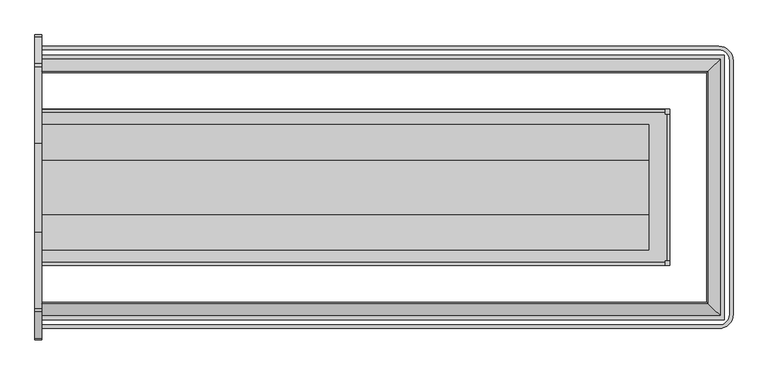
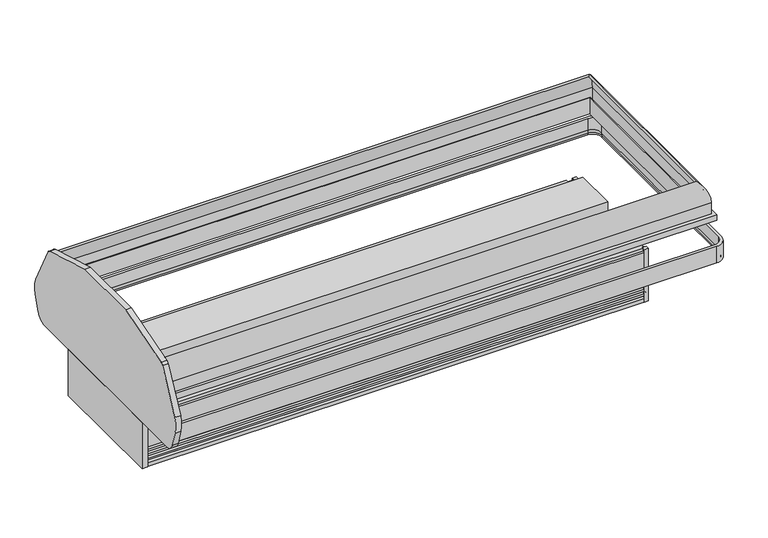
"""IFC4 building model written with IfcOpenShell, lengths in millimetres: proxy geometry."""

from ifc_helpers import new_model, si_unit, point, frame, frame_2d, origin, place, context, project, spatial, polyline, circle_curve, ellipse_curve, trimmed, segment, composite_curve, outline, extrude, faceted_brep, source, transform, mapped, element, save
from ifc_brep_helpers import plane_surface, cylinder_surface, revolved_surface, advanced_brep


def mechanical_equipment_1872149a(model_context):
    return source(origin(), model_context, "Body", "SolidModel", [
        extrude(outline(polyline([(2912.26875, -1328.4946273), (3217.06875, -1328.4946273), (3217.06875, -1430.0946273), (2912.26875, -1430.0946273), (2912.26875, -1328.4946273)])), frame((0.0, 0.0, 189.9442522), z_axis=(0.0, 0.0, 1.0), x_axis=(1.0, 0.0, 0.0)), (0.0, 0.0, 1.0), 53.975),
        extrude(outline(polyline([(0.0, -1877.2754027), (0.0, -1854.8852919), (3656.9518707, -1854.8852919), (3656.9518707, -471.8927566), (0.0, -471.8927566), (0.0, -449.5026457), (3679.3419816, -449.5026457), (3679.3419816, -1877.2754027), (0.0, -1877.2754027)])), frame((0.0, 0.0, 699.9316399), z_axis=(0.0, 0.0, 1.0), x_axis=(1.0, 0.0, 0.0)), (0.0, 0.0, 1.0), 41.2710907),
        advanced_brep(
        [(0.0, -1792.5196013, 958.3889172), (0.0, -1784.0477837, 948.9275057), (0.0, -1842.1852919, 818.8330982), (0.0, -1842.1852919, 702.038591), (0.0, -1854.8852919, 702.038591), (0.0, -1854.8852919, 818.8330982), (3594.5861801, -1792.5196013, 958.3889172), (3586.1143625, -1784.0477837, 948.9275057), (3644.2518707, -1842.1852919, 818.8330982), (3644.2518707, -1842.1852919, 702.038591), (3644.2518707, -484.5927566, 702.038591), (0.0, -484.5927566, 702.038591), (0.0, -471.8927566, 702.038591), (3656.9518707, -471.8927566, 702.038591), (3656.9518707, -1854.8852919, 702.038591), (3656.9518707, -1854.8852919, 818.8330982), (3594.5861801, -534.2584472, 958.3889172), (3586.1143625, -542.7302648, 948.9275057), (3644.2518707, -484.5927566, 818.8330982), (3656.9518707, -471.8927566, 818.8330982), (0.0, -534.2584472, 958.3889172), (0.0, -471.8927566, 818.8330982), (0.0, -484.5927566, 818.8330982), (0.0, -542.7302648, 948.9275057)],
        [
            (0, 1),
            (1, 2, circle_curve(frame((0.0, -1667.5602919, 818.8330982), z_axis=(1.0, 0.0, 0.0), x_axis=(0.0, 1.0, 0.0)), 174.625)),
            (2, 3),
            (3, 4),
            (4, 5),
            (5, 0, circle_curve(frame((0.0, -1667.5602919, 818.8330982), z_axis=(-1.0, 0.0, 0.0), x_axis=(0.0, 1.0, 0.0)), 187.325)),
            (0, 6),
            (6, 7),
            (7, 1),
            (7, 8, ellipse_curve(frame((3469.6268707, -1667.5602919, 818.8330982), z_axis=(0.7071067811865475, 0.7071067811865475, 0.0), x_axis=(0.7071067811865476, -0.7071067811865474, 0.0)), 246.9570433, 174.625)),
            (8, 2),
            (8, 9),
            (9, 3),
            (9, 10),
            (10, 11),
            (11, 12),
            (12, 13),
            (13, 14),
            (14, 4),
            (14, 15),
            (15, 5),
            (15, 6, ellipse_curve(frame((3469.6268707, -1667.5602919, 818.8330982), z_axis=(-0.7071067811865475, -0.7071067811865475, 0.0), x_axis=(-0.7071067811865476, 0.7071067811865474, 0.0)), 264.9175556, 187.325)),
            (6, 16),
            (16, 17),
            (17, 7),
            (17, 18, ellipse_curve(frame((3469.6268707, -659.2177566, 818.8330982), z_axis=(-0.7071067811865475, 0.7071067811865475, 0.0), x_axis=(0.7071067811865474, 0.7071067811865476, 0.0)), 246.9570433, 174.625)),
            (18, 8),
            (18, 10),
            (13, 19),
            (19, 15),
            (19, 16, ellipse_curve(frame((3469.6268707, -659.2177566, 818.8330982), z_axis=(0.7071067811865475, -0.7071067811865475, 0.0), x_axis=(-0.7071067811865474, -0.7071067811865476, 0.0)), 264.9175556, 187.325)),
            (20, 21, circle_curve(frame((0.0, -659.2177566, 818.8330982), z_axis=(-1.0, 0.0, 0.0), x_axis=(0.0, -1.0, 0.0)), 187.325)),
            (21, 12),
            (11, 22),
            (22, 23, circle_curve(frame((0.0, -659.2177566, 818.8330982), z_axis=(1.0, 0.0, 0.0), x_axis=(0.0, -1.0, 0.0)), 174.625)),
            (23, 20),
            (16, 20),
            (23, 17),
            (22, 18),
            (21, 19),
        ],
        [
            plane_surface(frame((0.0, -1977.7709212, 50.2442522), z_axis=(-1.0, 0.0, 0.0), x_axis=(0.0, 0.0, 1.0))),
            plane_surface(frame((0.0, -1792.5196013, 958.3889172), z_axis=(0.0, 0.7449930280994389, 0.6670722510217529), x_axis=(1.0, 0.0, 0.0))),
            revolved_surface(polyline([(3644.2518707, -1492.9352919, 818.8330982), (0.0, -1492.9352919, 818.8330982)]), (0.0, -1667.5602919, 818.8330982), (1.0, 0.0, 0.0)),
            plane_surface(frame((0.0, -1842.1852919, 818.8330982), z_axis=(0.0, 1.0, 0.0), x_axis=(1.0, 0.0, 0.0))),
            plane_surface(frame((0.0, -1842.1852919, 702.038591), z_axis=(0.0, 0.0, -1.0), x_axis=(1.0, 0.0, 0.0))),
            plane_surface(frame((0.0, -1854.8852919, 702.038591), z_axis=(0.0, -1.0, 0.0), x_axis=(1.0, 0.0, 0.0))),
            cylinder_surface(frame((0.0, -1667.5602919, 818.8330982), z_axis=(-1.0, 0.0, 0.0), x_axis=(0.0, 1.0, 0.0)), 187.325),
            plane_surface(frame((3594.5861801, -1792.5196013, 958.3889172), z_axis=(-0.7449930280994389, 0.0, 0.6670722510217529), x_axis=(0.0, 1.0, 0.0))),
            revolved_surface(polyline([(3295.0018707, -484.59275660000003, 818.8330982), (3295.0018707, -1842.1852919, 818.8330982)]), (3469.6268707, -1977.7709212, 818.8330982), (0.0, 1.0, 0.0)),
            plane_surface(frame((3644.2518707, -1842.1852919, 818.8330982), z_axis=(-1.0, 0.0, 0.0), x_axis=(0.0, 1.0, 0.0))),
            plane_surface(frame((3656.9518707, -1854.8852919, 702.038591), z_axis=(1.0, 0.0, 0.0), x_axis=(0.0, 1.0, 0.0))),
            cylinder_surface(frame((3469.6268707, -1977.7709212, 818.8330982), z_axis=(0.0, -1.0, 0.0), x_axis=(-1.0, 0.0, 0.0)), 187.325),
            plane_surface(frame((0.0, -349.0071273, 50.2442522), z_axis=(-1.0, 0.0, 0.0), x_axis=(0.0, 0.0, 1.0))),
            plane_surface(frame((3594.5861801, -534.2584472, 958.3889172), z_axis=(0.0, -0.7449930280994389, 0.6670722510217529), x_axis=(-1.0, 0.0, 0.0))),
            revolved_surface(polyline([(0.0, -833.8427566, 818.8330982), (3644.2518707, -833.8427566, 818.8330982)]), (3779.8375, -659.2177566, 818.8330982), (-1.0, 0.0, 0.0)),
            plane_surface(frame((3644.2518707, -484.5927566, 818.8330982), z_axis=(0.0, -1.0, 0.0), x_axis=(-1.0, 0.0, 0.0))),
            plane_surface(frame((3656.9518707, -471.8927566, 702.038591), z_axis=(0.0, 1.0, 0.0), x_axis=(-1.0, 0.0, 0.0))),
            cylinder_surface(frame((3779.8375, -659.2177566, 818.8330982), z_axis=(1.0, 0.0, 0.0), x_axis=(0.0, -1.0, 0.0)), 187.325),
        ],
        [
            (0, [[1, 2, 3, 4, 5, 6]]),
            (1, [[-1, 7, 8, 9]]),
            (2, [[-2, -9, 10, 11]]),
            (3, [[-3, -11, 12, 13]]),
            (4, [[-4, -13, 14, 15, 16, 17, 18, 19]]),
            (5, [[-5, -19, 20, 21]]),
            (6, [[-6, -21, 22, -7]]),
            (7, [[-8, 23, 24, 25]]),
            (8, [[-10, -25, 26, 27]]),
            (9, [[-12, -27, 28, -14]]),
            (10, [[-20, -18, 29, 30]]),
            (11, [[-22, -30, 31, -23]]),
            (12, [[32, 33, -16, 34, 35, 36]]),
            (13, [[-24, 37, -36, 38]]),
            (14, [[-26, -38, -35, 39]]),
            (15, [[-28, -39, -34, -15]]),
            (16, [[-29, -17, -33, 40]]),
            (17, [[-31, -40, -32, -37]]),
        ],
    ),
        faceted_brep([(0.0, -1809.1342557, 779.826091), (0.0, -1802.7842557, 779.826091), (0.0, -1802.7842557, 665.438693), (0.0, -1809.1342557, 665.438693), (3611.2008346, -1809.1342557, 779.826091), (3611.2008346, -517.6437927, 779.826091), (0.0, -517.6437927, 779.826091), (0.0, -523.9937927, 779.826091), (3604.8508346, -523.9937927, 779.826091), (3604.8508346, -1802.7842557, 779.826091), (3604.8508346, -1802.7842557, 665.438693), (3604.8508346, -523.9937927, 665.438693), (0.0, -523.9937927, 665.438693), (0.0, -517.6437927, 665.438693), (3611.2008346, -517.6437927, 665.438693), (3611.2008346, -1809.1342557, 665.438693)], [[[0, 1, 2, 3]], [[1, 0, 4, 5, 6, 7, 8, 9]], [[2, 1, 9, 10]], [[3, 2, 10, 11, 12, 13, 14, 15]], [[0, 3, 15, 4]], [[10, 9, 8, 11]], [[4, 15, 14, 5]], [[6, 13, 12, 7]], [[11, 8, 7, 12]], [[5, 14, 13, 6]]]),
        extrude(outline(polyline([(3361.0067977, -1585.0986858), (3361.0067977, -1558.951425), (3387.1540585, -1558.951425), (3387.1540585, -1585.0986858), (3361.0067977, -1585.0986858)])), frame((0.0, 0.0, 50.2442522), z_axis=(0.0, 0.0, 1.0), x_axis=(1.0, 0.0, 0.0)), (0.0, 0.0, 1.0), 374.65),
        extrude(outline(polyline([(3361.0067977, -741.6905688), (3387.1540585, -741.6905688), (3387.1540585, -767.8378296), (3361.0067977, -767.8378296), (3361.0067977, -741.6905688)])), frame((0.0, 0.0, 50.2442522), z_axis=(0.0, 0.0, 1.0), x_axis=(1.0, 0.0, 0.0)), (0.0, 0.0, 1.0), 374.65),
        extrude(outline(polyline([(0.0, -731.5946273), (0.0, -1595.1946273), (-38.1, -1595.1946273), (-38.1, -731.5946273), (0.0, -731.5946273)])), frame((0.0, 0.0, 55.8110105), z_axis=(0.0, 0.0, 1.0), x_axis=(1.0, 0.0, 0.0)), (0.0, 0.0, 1.0), 330.2),
        extrude(outline(composite_curve([segment(trimmed(circle_curve(frame_2d((-1876.0201467, 462.2147549)), 76.2037445), [point((-1876.0201467, 386.0110105))], [point((-1949.0324467, 440.3924105))], False, "CARTESIAN"), True, "CONTINUOUS"), segment(polyline([(-1949.0324467, 440.3924105), (-1980.3506467, 545.1755523)]), True, "CONTINUOUS"), segment(trimmed(circle_curve(frame_2d((-1810.0422719, 596.0783182)), 177.752733), [point((-1980.3506467, 545.1755523))], [point((-1977.7709212, 654.9267193))], False, "CARTESIAN"), True, "CONTINUOUS"), segment(polyline([(-1977.7709212, 654.9267193), (-1833.2015565, 938.6600732)]), True, "CONTINUOUS"), segment(trimmed(circle_curve(frame_2d((-1810.5699907, 927.1287145)), 25.4), [point((-1833.2015565, 938.6600732))], [point((-1816.4208577, 951.8456592))], False, "CARTESIAN"), True, "CONTINUOUS"), segment(polyline([(-1816.4208577, 951.8456592), (-1403.1455727, 1075.3678003), (-923.6436819, 1075.3678003), (-510.3683969, 951.8456592)]), True, "CONTINUOUS"), segment(trimmed(circle_curve(frame_2d((-516.2192639, 927.1287145)), 25.4), [point((-510.3683969, 951.8456592))], [point((-493.5876981, 938.6600732))], False, "CARTESIAN"), True, "CONTINUOUS"), segment(polyline([(-493.5876981, 938.6600732), (-349.0183334, 654.9267193)]), True, "CONTINUOUS"), segment(trimmed(circle_curve(frame_2d((-516.7469827, 596.0783182)), 177.752733), [point((-349.0183334, 654.9267193))], [point((-346.4386079, 545.1755523))], False, "CARTESIAN"), True, "CONTINUOUS"), segment(polyline([(-346.4386079, 545.1755523), (-377.7568079, 440.3924105)]), True, "CONTINUOUS"), segment(trimmed(circle_curve(frame_2d((-450.7691079, 462.2147549)), 76.2037445), [point((-377.7568079, 440.3924105))], [point((-450.7691079, 386.0110105))], False, "CARTESIAN"), True, "CONTINUOUS"), segment(polyline([(-450.7691079, 386.0110105), (-1876.0201467, 386.0110105)]), True, "CONTINUOUS")], self_intersect=False)), frame((-38.1, 0.0, 0.0), z_axis=(1.0, 0.0, 0.0), x_axis=(0.0, 1.0, 0.0)), (0.0, 0.0, 1.0), 38.1),
        advanced_brep(
        [(0.0, -401.3444046, 552.6494703), (0.0, -401.3444046, 434.7299703), (0.0, -416.0764046, 434.7299703), (0.0, -416.0764046, 445.2709703), (0.0, -420.1796936, 468.5418787), (0.0, -420.1796936, 552.6494703), (3651.3002227, -401.3444046, 552.6494703), (3651.3002227, -401.3444046, 434.7299703), (3727.5002227, -477.5444046, 434.7299703), (3727.5002227, -1849.24485, 434.7299703), (3651.3002227, -1925.44485, 434.7299703), (0.0, -1925.44485, 434.7299703), (0.0, -1910.71285, 434.7299703), (3651.3002227, -1910.71285, 434.7299703), (3712.7682227, -1849.24485, 434.7299703), (3712.7682227, -477.5444046, 434.7299703), (3651.3002227, -416.0764046, 434.7299703), (3651.3002227, -416.0764046, 445.2709703), (3651.3002227, -420.1796936, 468.5418787), (3651.3002227, -420.1796936, 552.6494703), (3708.6649337, -477.5444046, 552.6494703), (3708.6649337, -1849.24485, 552.6494703), (3651.3002227, -1906.609561, 552.6494703), (0.0, -1906.609561, 552.6494703), (0.0, -1925.44485, 552.6494703), (3651.3002227, -1925.44485, 552.6494703), (3727.5002227, -1849.24485, 552.6494703), (3727.5002227, -477.5444046, 552.6494703), (3712.7682227, -477.5444046, 445.2709703), (3708.6649337, -477.5444046, 468.5418787), (3712.7682227, -1849.24485, 445.2709703), (3708.6649337, -1849.24485, 468.5418787), (3651.3002227, -1910.71285, 445.2709703), (3651.3002227, -1906.609561, 468.5418787), (0.0, -1906.609561, 468.5418787), (0.0, -1910.71285, 445.2709703)],
        [
            (0, 1),
            (1, 2),
            (2, 3),
            (3, 4),
            (4, 5),
            (5, 0),
            (0, 6),
            (6, 7),
            (7, 1),
            (7, 8, circle_curve(frame((3651.3002227, -477.5444046, 434.7299703), z_axis=(0.0, 0.0, -1.0), x_axis=(0.0, 1.0, 0.0)), 76.2)),
            (8, 9),
            (9, 10, circle_curve(frame((3651.3002227, -1849.24485, 434.7299703), z_axis=(0.0, 0.0, -1.0), x_axis=(1.0, 0.0, 0.0)), 76.2)),
            (10, 11),
            (11, 12),
            (12, 13),
            (13, 14, circle_curve(frame((3651.3002227, -1849.24485, 434.7299703), z_axis=(0.0, 0.0, 1.0), x_axis=(1.0, 0.0, 0.0)), 61.468)),
            (14, 15),
            (15, 16, circle_curve(frame((3651.3002227, -477.5444046, 434.7299703), z_axis=(0.0, 0.0, 1.0), x_axis=(0.0, 1.0, 0.0)), 61.468)),
            (16, 2),
            (16, 17),
            (17, 3),
            (17, 18),
            (18, 4),
            (18, 19),
            (19, 5),
            (19, 20, circle_curve(frame((3651.3002227, -477.5444046, 552.6494703), z_axis=(0.0, 0.0, -1.0), x_axis=(0.0, 1.0, 0.0)), 57.364711)),
            (20, 21),
            (21, 22, circle_curve(frame((3651.3002227, -1849.24485, 552.6494703), z_axis=(0.0, 0.0, -1.0), x_axis=(1.0, 0.0, 0.0)), 57.364711)),
            (22, 23),
            (23, 24),
            (24, 25),
            (25, 26, circle_curve(frame((3651.3002227, -1849.24485, 552.6494703), z_axis=(0.0, 0.0, 1.0), x_axis=(1.0, 0.0, 0.0)), 76.2)),
            (26, 27),
            (27, 6, circle_curve(frame((3651.3002227, -477.5444046, 552.6494703), z_axis=(0.0, 0.0, 1.0), x_axis=(0.0, 1.0, 0.0)), 76.2)),
            (27, 8),
            (28, 17, circle_curve(frame((3651.3002227, -477.5444046, 445.2709703), z_axis=(0.0, 0.0, 1.0), x_axis=(0.0, 1.0, 0.0)), 61.468)),
            (15, 28),
            (29, 18, circle_curve(frame((3651.3002227, -477.5444046, 468.5418787), z_axis=(0.0, 0.0, 1.0), x_axis=(0.0, 1.0, 0.0)), 57.364711)),
            (28, 29),
            (29, 20),
            (26, 9),
            (14, 30),
            (30, 28),
            (30, 31),
            (31, 29),
            (31, 21),
            (25, 10),
            (32, 30, circle_curve(frame((3651.3002227, -1849.24485, 445.2709703), z_axis=(0.0, 0.0, 1.0), x_axis=(1.0, 0.0, 0.0)), 61.468)),
            (13, 32),
            (33, 31, circle_curve(frame((3651.3002227, -1849.24485, 468.5418787), z_axis=(0.0, 0.0, 1.0), x_axis=(1.0, 0.0, 0.0)), 57.364711)),
            (32, 33),
            (33, 22),
            (23, 34),
            (34, 35),
            (35, 12),
            (11, 24),
            (35, 32),
            (34, 33),
        ],
        [
            plane_surface(frame((0.0, -401.3444046, 50.2442522), z_axis=(-1.0, 0.0, 0.0), x_axis=(0.0, 0.0, 1.0))),
            plane_surface(frame((0.0, -401.3444046, 552.6494703), z_axis=(0.0, 1.0, 0.0), x_axis=(1.0, 0.0, 0.0))),
            plane_surface(frame((0.0, -401.3444046, 434.7299703), z_axis=(0.0, 0.0, -1.0), x_axis=(1.0, 0.0, 0.0))),
            plane_surface(frame((0.0, -416.0764046, 434.7299703), z_axis=(0.0, -1.0, 0.0), x_axis=(1.0, 0.0, 0.0))),
            plane_surface(frame((0.0, -416.0764046, 445.2709703), z_axis=(0.0, -0.9848077530122079, -0.17364817766693152), x_axis=(1.0, 0.0, 0.0))),
            plane_surface(frame((0.0, -420.1796936, 468.5418787), z_axis=(0.0, -1.0, 0.0), x_axis=(1.0, 0.0, 0.0))),
            plane_surface(frame((0.0, -420.1796936, 552.6494703), z_axis=(0.0, 0.0, 1.0), x_axis=(1.0, 0.0, 0.0))),
            cylinder_surface(frame((3651.3002227, -477.5444046, 50.2442522), z_axis=(0.0, 0.0, -1.0), x_axis=(0.0, 1.0, 0.0)), 76.2),
            revolved_surface(polyline([(3651.3002227, -416.0764046, 434.7299703), (3651.3002227, -416.0764046, 445.2709703)]), (3651.3002227, -477.5444046, 50.2442522), (0.0, 0.0, -1.0)),
            revolved_surface(polyline([(3651.3002227, -416.0764046, 445.2709703), (3651.3002227, -420.1796936, 468.5418787)]), (3651.3002227, -477.5444046, 50.2442522), (0.0, 0.0, -1.0)),
            revolved_surface(polyline([(3651.3002227, -420.1796936, 468.5418787), (3651.3002227, -420.1796936, 552.6494703)]), (3651.3002227, -477.5444046, 50.2442522), (0.0, 0.0, -1.0)),
            plane_surface(frame((3727.5002227, -477.5444046, 552.6494703), z_axis=(1.0, 0.0, 0.0), x_axis=(0.0, -1.0, 0.0))),
            plane_surface(frame((3712.7682227, -477.5444046, 434.7299703), z_axis=(-1.0, 0.0, 0.0), x_axis=(0.0, -1.0, 0.0))),
            plane_surface(frame((3712.7682227, -477.5444046, 445.2709703), z_axis=(-0.9848077530122079, 0.0, -0.17364817766693152), x_axis=(0.0, -1.0, 0.0))),
            plane_surface(frame((3708.6649337, -477.5444046, 468.5418787), z_axis=(-1.0, 0.0, 0.0), x_axis=(0.0, -1.0, 0.0))),
            cylinder_surface(frame((3651.3002227, -1849.24485, 50.2442522), z_axis=(0.0, 0.0, -1.0), x_axis=(1.0, 0.0, 0.0)), 76.2),
            revolved_surface(polyline([(3712.7682227, -1849.24485, 434.7299703), (3712.7682227, -1849.24485, 445.2709703)]), (3651.3002227, -1849.24485, 50.2442522), (0.0, 0.0, -1.0)),
            revolved_surface(polyline([(3712.7682227, -1849.24485, 445.2709703), (3708.6649337, -1849.24485, 468.5418787)]), (3651.3002227, -1849.24485, 50.2442522), (0.0, 0.0, -1.0)),
            revolved_surface(polyline([(3708.6649337000003, -1849.24485, 468.5418787), (3708.6649337000003, -1849.24485, 552.6494703)]), (3651.3002227, -1849.24485, 50.2442522), (0.0, 0.0, -1.0)),
            plane_surface(frame((0.0, -1925.44485, 50.2442522), z_axis=(-1.0, 0.0, 0.0), x_axis=(0.0, 0.0, 1.0))),
            plane_surface(frame((3651.3002227, -1925.44485, 552.6494703), z_axis=(0.0, -1.0, 0.0), x_axis=(-1.0, 0.0, 0.0))),
            plane_surface(frame((3651.3002227, -1910.71285, 434.7299703), z_axis=(0.0, 1.0, 0.0), x_axis=(-1.0, 0.0, 0.0))),
            plane_surface(frame((3651.3002227, -1910.71285, 445.2709703), z_axis=(0.0, 0.9848077530122079, -0.17364817766693152), x_axis=(-1.0, 0.0, 0.0))),
            plane_surface(frame((3651.3002227, -1906.609561, 468.5418787), z_axis=(0.0, 1.0, 0.0), x_axis=(-1.0, 0.0, 0.0))),
        ],
        [
            (0, [[1, 2, 3, 4, 5, 6]]),
            (1, [[-1, 7, 8, 9]]),
            (2, [[-2, -9, 10, 11, 12, 13, 14, 15, 16, 17, 18, 19]]),
            (3, [[-3, -19, 20, 21]]),
            (4, [[-4, -21, 22, 23]]),
            (5, [[-5, -23, 24, 25]]),
            (6, [[-6, -25, 26, 27, 28, 29, 30, 31, 32, 33, 34, -7]]),
            (7, [[-10, -8, -34, 35]]),
            (8, [[36, -20, -18, 37]]),
            (9, [[38, -22, -36, 39]]),
            (10, [[-26, -24, -38, 40]]),
            (11, [[-35, -33, 41, -11]]),
            (12, [[-37, -17, 42, 43]]),
            (13, [[-39, -43, 44, 45]]),
            (14, [[-40, -45, 46, -27]]),
            (15, [[-12, -41, -32, 47]]),
            (16, [[48, -42, -16, 49]]),
            (17, [[50, -44, -48, 51]]),
            (18, [[-28, -46, -50, 52]]),
            (19, [[-30, 53, 54, 55, -14, 56]]),
            (20, [[-47, -31, -56, -13]]),
            (21, [[-49, -15, -55, 57]]),
            (22, [[-51, -57, -54, 58]]),
            (23, [[-52, -58, -53, -29]]),
        ],
    ),
        extrude(outline(composite_curve([segment(trimmed(circle_curve(frame_2d((1828.8, -1163.3946273)), 19.05), [point((1809.75, -1163.3946273))], [point((1847.85, -1163.3946273))], False, "CARTESIAN"), True, "CONTINUOUS"), segment(trimmed(circle_curve(frame_2d((1828.8, -1163.3946273)), 19.05), [point((1847.85, -1163.3946273))], [point((1809.75, -1163.3946273))], False, "CARTESIAN"), True, "CONTINUOUS")], self_intersect=False)), frame((0.0, 0.0, 93.9880046), z_axis=(0.0, 0.0, 1.0), x_axis=(1.0, 0.0, 0.0)), (0.0, 0.0, 1.0), 210.2562476),
        extrude(outline(composite_curve([segment(trimmed(circle_curve(frame_2d((1550.8705885, -829.9578833)), 11.1125), [point((1539.7580885, -829.9578833))], [point((1561.9830885, -829.9578833))], False, "CARTESIAN"), True, "CONTINUOUS"), segment(trimmed(circle_curve(frame_2d((1550.8705885, -829.9578833)), 11.1125), [point((1561.9830885, -829.9578833))], [point((1539.7580885, -829.9578833))], False, "CARTESIAN"), True, "CONTINUOUS")], self_intersect=False)), frame((0.0, 0.0, 137.6601877), z_axis=(0.0, 0.0, 1.0), x_axis=(1.0, 0.0, 0.0)), (0.0, 0.0, 1.0), 166.5840645),
        extrude(outline(composite_curve([segment(trimmed(circle_curve(frame_2d((1551.3382345, -850.5343095)), 4.7625), [point((1546.5757345, -850.5343095))], [point((1556.1007345, -850.5343095))], False, "CARTESIAN"), True, "CONTINUOUS"), segment(trimmed(circle_curve(frame_2d((1551.3382345, -850.5343095)), 4.7625), [point((1556.1007345, -850.5343095))], [point((1546.5757345, -850.5343095))], False, "CARTESIAN"), True, "CONTINUOUS")], self_intersect=False)), frame((0.0, 0.0, 137.6601877), z_axis=(0.0, 0.0, 1.0), x_axis=(1.0, 0.0, 0.0)), (0.0, 0.0, 1.0), 166.5840645),
        advanced_brep(
        [(0.0, -1584.8627062, 189.9442522), (0.0, -1584.8627062, 404.6426327), (0.0, -1566.9557062, 404.6426327), (0.0, -1566.9557062, 424.8942522), (0.0, -1465.3557062, 424.8942522), (0.0, -1465.3557062, 189.9442522), (3386.9180789, -1584.8627062, 189.9442522), (3386.9180789, -1584.8627062, 404.6426327), (3386.9180789, -741.9265484, 404.6426327), (0.0, -741.9265484, 404.6426327), (0.0, -759.8335484, 404.6426327), (3369.0110789, -759.8335484, 404.6426327), (3369.0110789, -1566.9557062, 404.6426327), (3369.0110789, -1566.9557062, 424.8942522), (3369.0110789, -759.8335484, 424.8942522), (0.0, -759.8335484, 424.8942522), (0.0, -861.4335484, 424.8942522), (3267.4110789, -861.4335484, 424.8942522), (3267.4110789, -1465.3557062, 424.8942522), (3267.4110789, -1465.3557062, 257.2427017), (3267.4110789, -1465.3557062, 189.9442522), (2892.7610789, -1465.3557062, 189.9442522), (3267.4110789, -1308.4091352, 189.9442522), (3267.4110789, -861.4335484, 189.9442522), (1563.8729621, -861.4335484, 189.9442522), (1576.3875, -839.5446273, 189.9442522), (1525.5875, -839.5446273, 189.9442522), (1538.1020379, -861.4335484, 189.9442522), (0.0, -861.4335484, 189.9442522), (0.0, -741.9265484, 189.9442522), (3386.9180789, -741.9265484, 189.9442522), (1538.1020379, -861.4335484, 304.2442522), (1563.8729621, -861.4335484, 304.2442522), (1525.5875, -839.5446273, 304.2442522), (1576.3875, -839.5446273, 304.2442522)],
        [
            (0, 1),
            (1, 2),
            (2, 3),
            (3, 4),
            (4, 5),
            (5, 0),
            (0, 6),
            (6, 7),
            (7, 1),
            (7, 8),
            (8, 9),
            (9, 10),
            (10, 11),
            (11, 12),
            (12, 2),
            (12, 13),
            (13, 3),
            (13, 14),
            (14, 15),
            (15, 16),
            (16, 17),
            (17, 18),
            (18, 4),
            (18, 19),
            (19, 20),
            (20, 21),
            (21, 5),
            (20, 22),
            (22, 23),
            (23, 24),
            (24, 25, circle_curve(frame((1550.9875, -839.5446273, 189.9442522), z_axis=(0.0, 0.0, 1.0), x_axis=(1.0, 0.0, 0.0)), 25.4)),
            (25, 26, circle_curve(frame((1550.9875, -839.5446273, 189.9442522), z_axis=(0.0, 0.0, 1.0), x_axis=(1.0, 0.0, 0.0)), 25.4)),
            (26, 27, circle_curve(frame((1550.9875, -839.5446273, 189.9442522), z_axis=(0.0, 0.0, 1.0), x_axis=(1.0, 0.0, 0.0)), 25.4)),
            (27, 28),
            (28, 29),
            (29, 30),
            (30, 6),
            (30, 8),
            (11, 14),
            (17, 23),
            (9, 29),
            (28, 16),
            (15, 10),
            (27, 31),
            (31, 32),
            (32, 24),
            (33, 34, circle_curve(frame((1550.9875, -839.5446273, 304.2442522), z_axis=(0.0, 0.0, -1.0), x_axis=(1.0, 0.0, 0.0)), 25.4)),
            (34, 32, circle_curve(frame((1550.9875, -839.5446273, 304.2442522), z_axis=(0.0, 0.0, -1.0), x_axis=(1.0, 0.0, 0.0)), 25.4)),
            (31, 33, circle_curve(frame((1550.9875, -839.5446273, 304.2442522), z_axis=(0.0, 0.0, -1.0), x_axis=(1.0, 0.0, 0.0)), 25.4)),
            (34, 25),
            (26, 33),
        ],
        [
            plane_surface(frame((0.0, -1977.7821273, 50.2442522), z_axis=(-1.0, 0.0, 0.0), x_axis=(0.0, 0.0, 1.0))),
            plane_surface(frame((0.0, -1584.8627062, 189.9442522), z_axis=(0.0, -1.0, 0.0), x_axis=(1.0, 0.0, 0.0))),
            plane_surface(frame((0.0, -1584.8627062, 404.6426327), z_axis=(0.0, 0.0, 1.0), x_axis=(1.0, 0.0, 0.0))),
            plane_surface(frame((0.0, -1566.9557062, 404.6426327), z_axis=(0.0, -1.0, 0.0), x_axis=(1.0, 0.0, 0.0))),
            plane_surface(frame((0.0, -1566.9557062, 424.8942522), z_axis=(0.0, 0.0, 1.0), x_axis=(1.0, 0.0, 0.0))),
            plane_surface(frame((0.0, -1465.3557062, 424.8942522), z_axis=(0.0, 1.0, 0.0), x_axis=(1.0, 0.0, 0.0))),
            plane_surface(frame((0.0, -1465.3557062, 189.9442522), z_axis=(0.0, 0.0, -1.0), x_axis=(1.0, 0.0, 0.0))),
            plane_surface(frame((3386.9180789, -1584.8627062, 189.9442522), z_axis=(1.0, 0.0, 0.0), x_axis=(0.0, 1.0, 0.0))),
            plane_surface(frame((3369.0110789, -1566.9557062, 404.6426327), z_axis=(1.0, 0.0, 0.0), x_axis=(0.0, 1.0, 0.0))),
            plane_surface(frame((3267.4110789, -1465.3557062, 424.8942522), z_axis=(-1.0, 0.0, 0.0), x_axis=(0.0, 1.0, 0.0))),
            plane_surface(frame((0.0, -349.0071273, 50.2442522), z_axis=(-1.0, 0.0, 0.0), x_axis=(0.0, 0.0, 1.0))),
            plane_surface(frame((3386.9180789, -741.9265484, 189.9442522), z_axis=(0.0, 1.0, 0.0), x_axis=(-1.0, 0.0, 0.0))),
            plane_surface(frame((3369.0110789, -759.8335484, 404.6426327), z_axis=(0.0, 1.0, 0.0), x_axis=(-1.0, 0.0, 0.0))),
            plane_surface(frame((3267.4110789, -861.4335484, 424.8942522), z_axis=(0.0, -1.0, 0.0), x_axis=(-1.0, 0.0, 0.0))),
            plane_surface(frame((1576.3875, -839.5446273, 304.2442522), z_axis=(0.0, 0.0, -1.0), x_axis=(0.0, 1.0, 0.0))),
            revolved_surface(polyline([(1576.3875, -839.5446273, 304.2442522), (1576.3875, -839.5446273, 189.9442522)]), (1550.9875, -839.5446273, 50.2442522), (0.0, 0.0, 1.0)),
        ],
        [
            (0, [[1, 2, 3, 4, 5, 6]]),
            (1, [[-1, 7, 8, 9]]),
            (2, [[-2, -9, 10, 11, 12, 13, 14, 15]]),
            (3, [[-3, -15, 16, 17]]),
            (4, [[-4, -17, 18, 19, 20, 21, 22, 23]]),
            (5, [[-5, -23, 24, 25, 26, 27]]),
            (6, [[-6, -27, -26, 28, 29, 30, 31, 32, 33, 34, 35, 36, 37, -7]]),
            (7, [[-8, -37, 38, -10]]),
            (8, [[-14, 39, -18, -16]]),
            (9, [[-22, 40, -29, -28, -25, -24]]),
            (10, [[-12, 41, -35, 42, -20, 43]]),
            (11, [[-11, -38, -36, -41]]),
            (12, [[-13, -43, -19, -39]]),
            (13, [[-21, -42, -34, 44, 45, 46, -30, -40]]),
            (14, [[47, 48, -45, 49]]),
            (15, [[-48, 50, -31, -46]]),
            (15, [[-49, -44, -33, 51]]),
            (15, [[-47, -51, -32, -50]]),
        ],
    ),
        advanced_brep(
        [(3271.7161839, -861.4335484, 424.8942522), (3271.7161839, -824.9422387, 424.8942522), (3271.7161839, -824.9422387, 490.0253507), (3271.7161839, -1018.3801194, 482.92446), (3271.7161839, -1018.3801194, 631.4585812), (3271.7161839, -1308.4091352, 631.4585812), (3271.7161839, -1308.4091352, 482.92446), (3271.7161839, -1501.8470159, 490.0253507), (3271.7161839, -1501.8470159, 424.8942522), (3271.7161839, -1465.3557062, 424.8942522), (3271.7161839, -1465.3557062, 189.9442522), (3271.7161839, -861.4335484, 189.9442522), (0.0, -861.4335484, 424.8942522), (0.0, -861.4335484, 189.9442522), (0.0, -1465.3557062, 189.9442522), (0.0, -1465.3557062, 424.8942522), (0.0, -1501.8470159, 424.8942522), (0.0, -1501.8470159, 490.0253507), (0.0, -1308.4091352, 482.92446), (0.0, -1308.4091352, 631.4585812), (0.0, -1018.3801194, 631.4585812), (0.0, -1018.3801194, 482.92446), (0.0, -824.9422387, 490.0253507), (0.0, -824.9422387, 424.8942522), (2892.7610789, -1465.3557062, 189.9442522), (2892.7610789, -1465.3557062, 257.2427017), (3267.4110789, -1465.3557062, 257.2427017), (3267.4110789, -1465.3557062, 189.9442522), (3267.4110789, -1308.4091352, 189.9442522), (2892.7610789, -1308.4091352, 189.9442522), (1538.1020379, -861.4335484, 189.9442522), (1563.8729621, -861.4335484, 189.9442522), (1797.05, -1162.8932706, 189.9442522), (1860.55, -1162.8932706, 189.9442522), (1563.8729621, -861.4335484, 304.2442522), (1538.1020379, -861.4335484, 304.2442522), (1797.05, -1162.8932706, 304.2442522), (1860.55, -1162.8932706, 304.2442522), (2892.7610789, -1308.4091352, 257.2427017), (3267.4110789, -1308.4091352, 257.2427017)],
        [
            (0, 1),
            (1, 2),
            (2, 3),
            (3, 4),
            (4, 5),
            (5, 6),
            (6, 7),
            (7, 8),
            (8, 9),
            (9, 10),
            (10, 11),
            (11, 0),
            (12, 13),
            (13, 14),
            (14, 15),
            (15, 16),
            (16, 17),
            (17, 18),
            (18, 19),
            (19, 20),
            (20, 21),
            (21, 22),
            (22, 23),
            (23, 12),
            (0, 12),
            (23, 1),
            (3, 21),
            (20, 4),
            (19, 5),
            (18, 6),
            (9, 15),
            (14, 24),
            (24, 25),
            (25, 26),
            (26, 27),
            (27, 10),
            (27, 28),
            (28, 29),
            (29, 24),
            (13, 30),
            (30, 31, circle_curve(frame((1550.9875, -839.5446273, 189.9442522), z_axis=(0.0, 0.0, 1.0), x_axis=(1.0, 0.0, 0.0)), 25.4)),
            (31, 11),
            (32, 33, circle_curve(frame((1828.8, -1162.8932706, 189.9442522), z_axis=(0.0, 0.0, 1.0), x_axis=(1.0, 0.0, 0.0)), 31.75)),
            (33, 32, circle_curve(frame((1828.8, -1162.8932706, 189.9442522), z_axis=(0.0, 0.0, 1.0), x_axis=(1.0, 0.0, 0.0)), 31.75)),
            (31, 34),
            (34, 35),
            (35, 30),
            (22, 2),
            (17, 7),
            (16, 8),
            (34, 35, circle_curve(frame((1550.9875, -839.5446273, 304.2442522), z_axis=(0.0, 0.0, -1.0), x_axis=(1.0, 0.0, 0.0)), 25.4)),
            (36, 37, circle_curve(frame((1828.8, -1162.8932706, 304.2442522), z_axis=(0.0, 0.0, -1.0), x_axis=(1.0, 0.0, 0.0)), 31.75)),
            (37, 36, circle_curve(frame((1828.8, -1162.8932706, 304.2442522), z_axis=(0.0, 0.0, -1.0), x_axis=(1.0, 0.0, 0.0)), 31.75)),
            (37, 33),
            (32, 36),
            (25, 38),
            (38, 39),
            (39, 26),
            (39, 28),
            (38, 29),
        ],
        [
            plane_surface(frame((3271.7161839, -861.4335484, 424.8942522), z_axis=(1.0, 0.0, 0.0), x_axis=(0.0, 1.0, 0.0))),
            plane_surface(frame((0.0, -861.4335484, 424.8942522), z_axis=(-1.0, 0.0, 0.0), x_axis=(0.0, -1.0, 0.0))),
            plane_surface(frame((3271.7161839, -861.4335484, 424.8942522), z_axis=(0.0, 0.0, -1.0), x_axis=(-1.0, 0.0, 0.0))),
            plane_surface(frame((3271.7161839, -1018.3801194, 482.92446), z_axis=(0.0, 1.0, 0.0), x_axis=(-1.0, 0.0, 0.0))),
            plane_surface(frame((3271.7161839, -1018.3801194, 631.4585812), z_axis=(0.0, 0.0, 1.0), x_axis=(-1.0, 0.0, 0.0))),
            plane_surface(frame((3271.7161839, -1308.4091352, 631.4585812), z_axis=(0.0, -1.0, 0.0), x_axis=(-1.0, 0.0, 0.0))),
            plane_surface(frame((3271.7161839, -1465.3557062, 424.8942522), z_axis=(0.0, -1.0, 0.0), x_axis=(-1.0, 0.0, 0.0))),
            plane_surface(frame((3271.7161839, -1465.3557062, 189.9442522), z_axis=(0.0, 0.0, -1.0), x_axis=(-1.0, 0.0, 0.0))),
            plane_surface(frame((3271.7161839, -861.4335484, 189.9442522), z_axis=(0.0, 1.0, 0.0), x_axis=(-1.0, 0.0, 0.0))),
            plane_surface(frame((3271.7161839, -824.9422387, 424.8942522), z_axis=(0.0, 1.0, 0.0), x_axis=(-1.0, 0.0, 0.0))),
            plane_surface(frame((3271.7161839, -824.9422387, 490.0253507), z_axis=(0.0, -0.03668418616411642, 0.9993269087168005), x_axis=(-1.0, 0.0, 0.0))),
            plane_surface(frame((3271.7161839, -1308.4091352, 482.92446), z_axis=(0.0, 0.0366841861641131, 0.9993269087168006), x_axis=(-1.0, 0.0, 0.0))),
            plane_surface(frame((3271.7161839, -1501.8470159, 490.0253507), z_axis=(0.0, -1.0, 0.0), x_axis=(-1.0, 0.0, 0.0))),
            plane_surface(frame((3271.7161839, -1501.8470159, 424.8942522), z_axis=(0.0, 0.0, -1.0), x_axis=(-1.0, 0.0, 0.0))),
            plane_surface(frame((1576.3875, -839.5446273, 304.2442522), z_axis=(0.0, 0.0, -1.0), x_axis=(0.0, 1.0, 0.0))),
            revolved_surface(polyline([(1576.3875, -839.5446273, 304.2442522), (1576.3875, -839.5446273, 189.9442522)]), (1550.9875, -839.5446273, 50.2442522), (0.0, 0.0, 1.0)),
            plane_surface(frame((1860.55, -1162.8932706, 304.2442522), z_axis=(0.0, 0.0, -1.0), x_axis=(0.0, 1.0, 0.0))),
            revolved_surface(polyline([(1860.55, -1162.8932706, 304.2442522), (1860.55, -1162.8932706, 189.9442522)]), (1828.8, -1162.8932706, 50.2442522), (0.0, 0.0, 1.0)),
            plane_surface(frame((3267.4110789, -1465.3557062, 257.2427017), z_axis=(0.0, 0.0, -1.0), x_axis=(1.0, 0.0, 0.0))),
            plane_surface(frame((3267.4110789, -1465.3557062, 257.2427017), z_axis=(-1.0, 0.0, 0.0), x_axis=(0.0, 0.0, -1.0))),
            plane_surface(frame((3267.4110789, -1308.4091352, 257.2427017), z_axis=(0.0, -1.0, 0.0), x_axis=(0.0, 0.0, -1.0))),
            plane_surface(frame((2892.7610789, -1308.4091352, 257.2427017), z_axis=(1.0, 0.0, 0.0), x_axis=(0.0, 0.0, -1.0))),
        ],
        [
            (0, [[1, 2, 3, 4, 5, 6, 7, 8, 9, 10, 11, 12]]),
            (1, [[13, 14, 15, 16, 17, 18, 19, 20, 21, 22, 23, 24]]),
            (2, [[-1, 25, -24, 26]]),
            (3, [[-4, 27, -21, 28]]),
            (4, [[-5, -28, -20, 29]]),
            (5, [[-6, -29, -19, 30]]),
            (6, [[-10, 31, -15, 32, 33, 34, 35, 36]]),
            (7, [[-11, -36, 37, 38, 39, -32, -14, 40, 41, 42], [43, 44]]),
            (8, [[-12, -42, 45, 46, 47, -40, -13, -25]]),
            (9, [[-2, -26, -23, 48]]),
            (10, [[-3, -48, -22, -27]]),
            (11, [[-7, -30, -18, 49]]),
            (12, [[-8, -49, -17, 50]]),
            (13, [[-9, -50, -16, -31]]),
            (14, [[51, -46]]),
            (15, [[-51, -45, -41, -47]]),
            (16, [[52, 53]]),
            (17, [[-53, 54, -43, 55]]),
            (17, [[-52, -55, -44, -54]]),
            (18, [[56, 57, 58, -34]]),
            (19, [[-58, 59, -37, -35]]),
            (20, [[-57, 60, -38, -59]]),
            (21, [[-56, -33, -39, -60]]),
        ],
    ),
        advanced_brep(
        [(0.0, -1585.0986858, 75.3732545), (0.0, -1571.4808829, 84.9805674), (0.0, -1567.9917858, 96.1458274), (0.0, -1578.628981, 93.9880046), (0.0, -1580.622881, 93.9880046), (0.0, -1580.622881, 106.6880046), (0.0, -1571.4808829, 115.9527505), (0.0, -1567.9917858, 127.1180105), (0.0, -1578.628981, 124.9601877), (0.0, -1580.622881, 124.9601877), (0.0, -1580.622881, 137.6601877), (0.0, -1571.4808829, 146.9249336), (0.0, -1567.9917858, 157.9637416), (0.0, -1578.628981, 155.9325578), (0.0, -1580.622881, 155.9325578), (0.0, -1580.622881, 168.6325578), (0.0, -1567.9917858, 181.3323708), (0.0, -1567.9917858, 189.9442522), (0.0, -1561.6417858, 189.9442522), (0.0, -1561.6417858, 50.2442522), (0.0, -1585.0986858, 50.2442522), (3387.1540585, -1585.0986858, 75.3732545), (3373.5362556, -1571.4808829, 84.9805674), (3370.0471585, -1567.9917858, 96.1458274), (3380.6843537, -1578.628981, 93.9880046), (3380.6843537, -748.1602736, 93.9880046), (0.0, -748.1602736, 93.9880046), (0.0, -746.1663736, 93.9880046), (3382.6782537, -746.1663736, 93.9880046), (3382.6782537, -1580.622881, 93.9880046), (3382.6782537, -1580.622881, 106.6880046), (3373.5362556, -1571.4808829, 115.9527505), (3370.0471585, -1567.9917858, 127.1180105), (3380.6843537, -1578.628981, 124.9601877), (3380.6843537, -748.1602736, 124.9601877), (0.0, -748.1602736, 124.9601877), (0.0, -746.1663736, 124.9601877), (3382.6782537, -746.1663736, 124.9601877), (3382.6782537, -1580.622881, 124.9601877), (3382.6782537, -1580.622881, 137.6601877), (3373.5362556, -1571.4808829, 146.9249336), (3370.0471585, -1567.9917858, 157.9637416), (3380.6843537, -1578.628981, 155.9325578), (3380.6843537, -748.1602736, 155.9325578), (0.0, -748.1602736, 155.9325578), (0.0, -746.1663736, 155.9325578), (3382.6782537, -746.1663736, 155.9325578), (3382.6782537, -1580.622881, 155.9325578), (3382.6782537, -1580.622881, 168.6325578), (3370.0471585, -1567.9917858, 181.3323708), (3370.0471585, -1567.9917858, 189.9442522), (3370.0471585, -758.7974688, 189.9442522), (0.0, -758.7974688, 189.9442522), (0.0, -765.1474688, 189.9442522), (3363.6971585, -765.1474688, 189.9442522), (3363.6971585, -1561.6417858, 189.9442522), (3363.6971585, -1561.6417858, 50.2442522), (3363.6971585, -765.1474688, 50.2442522), (0.0, -765.1474688, 50.2442522), (0.0, -741.6905688, 50.2442522), (3387.1540585, -741.6905688, 50.2442522), (3387.1540585, -1585.0986858, 50.2442522), (3387.1540585, -741.6905688, 75.3732545), (3373.5362556, -755.3083717, 84.9805674), (3370.0471585, -758.7974688, 96.1458274), (3382.6782537, -746.1663736, 106.6880046), (3373.5362556, -755.3083717, 115.9527505), (3370.0471585, -758.7974688, 127.1180105), (3382.6782537, -746.1663736, 137.6601877), (3373.5362556, -755.3083717, 146.9249336), (3370.0471585, -758.7974688, 157.9637416), (3382.6782537, -746.1663736, 168.6325578), (3370.0471585, -758.7974688, 181.3323708), (0.0, -758.7974688, 96.1458274), (0.0, -755.3083717, 84.9805674), (0.0, -741.6905688, 75.3732545), (0.0, -758.7974688, 181.3323708), (0.0, -746.1663736, 168.6325578), (0.0, -758.7974688, 157.9637416), (0.0, -755.3083717, 146.9249336), (0.0, -746.1663736, 137.6601877), (0.0, -758.7974688, 127.1180105), (0.0, -755.3083717, 115.9527505), (0.0, -746.1663736, 106.6880046)],
        [
            (0, 1, circle_curve(frame((0.0, -1583.8147201, 88.0081835), z_axis=(1.0, 0.0, 0.0), x_axis=(0.0, 1.0, 0.0)), 12.7)),
            (1, 2),
            (2, 3),
            (3, 4),
            (4, 5),
            (5, 6, circle_curve(frame((0.0, -1583.8147201, 118.9803666), z_axis=(1.0, 0.0, 0.0), x_axis=(0.0, 1.0, 0.0)), 12.7)),
            (6, 7),
            (7, 8),
            (8, 9),
            (9, 10),
            (10, 11, circle_curve(frame((0.0, -1583.8147201, 149.9525497), z_axis=(1.0, 0.0, 0.0), x_axis=(0.0, 1.0, 0.0)), 12.7)),
            (11, 12),
            (12, 13),
            (13, 14),
            (14, 15),
            (15, 16, circle_curve(frame((0.0, -1580.6917858, 181.3323708), z_axis=(1.0, 0.0, 0.0), x_axis=(0.0, 1.0, 0.0)), 12.7)),
            (16, 17),
            (17, 18),
            (18, 19),
            (19, 20),
            (20, 0),
            (0, 21),
            (21, 22, ellipse_curve(frame((3385.8700928, -1583.8147201, 88.0081835), z_axis=(0.7071067811865475, 0.7071067811865475, 0.0), x_axis=(0.7071067811865476, -0.7071067811865474, 0.0)), 17.9605122, 12.7)),
            (22, 1),
            (22, 23),
            (23, 2),
            (23, 24),
            (24, 3),
            (24, 25),
            (25, 26),
            (26, 27),
            (27, 28),
            (28, 29),
            (29, 4),
            (29, 30),
            (30, 5),
            (30, 31, ellipse_curve(frame((3385.8700928, -1583.8147201, 118.9803666), z_axis=(0.7071067811865475, 0.7071067811865475, 0.0), x_axis=(0.7071067811865476, -0.7071067811865474, 0.0)), 17.9605122, 12.7)),
            (31, 6),
            (31, 32),
            (32, 7),
            (32, 33),
            (33, 8),
            (33, 34),
            (34, 35),
            (35, 36),
            (36, 37),
            (37, 38),
            (38, 9),
            (38, 39),
            (39, 10),
            (39, 40, ellipse_curve(frame((3385.8700928, -1583.8147201, 149.9525497), z_axis=(0.7071067811865475, 0.7071067811865475, 0.0), x_axis=(0.7071067811865476, -0.7071067811865474, 0.0)), 17.9605122, 12.7)),
            (40, 11),
            (40, 41),
            (41, 12),
            (41, 42),
            (42, 13),
            (42, 43),
            (43, 44),
            (44, 45),
            (45, 46),
            (46, 47),
            (47, 14),
            (47, 48),
            (48, 15),
            (48, 49, ellipse_curve(frame((3382.7471585, -1580.6917858, 181.3323708), z_axis=(0.7071067811865475, 0.7071067811865475, 0.0), x_axis=(0.7071067811865476, -0.7071067811865474, 0.0)), 17.9605122, 12.7)),
            (49, 16),
            (49, 50),
            (50, 17),
            (50, 51),
            (51, 52),
            (52, 53),
            (53, 54),
            (54, 55),
            (55, 18),
            (55, 56),
            (56, 19),
            (56, 57),
            (57, 58),
            (58, 59),
            (59, 60),
            (60, 61),
            (61, 20),
            (61, 21),
            (21, 62),
            (62, 63, ellipse_curve(frame((3385.8700928, -742.9745345, 88.0081835), z_axis=(-0.7071067811865475, 0.7071067811865475, 0.0), x_axis=(0.7071067811865474, 0.7071067811865476, 0.0)), 17.9605122, 12.7)),
            (63, 22),
            (63, 64),
            (64, 23),
            (64, 25),
            (28, 65),
            (65, 30),
            (65, 66, ellipse_curve(frame((3385.8700928, -742.9745345, 118.9803666), z_axis=(-0.7071067811865475, 0.7071067811865475, 0.0), x_axis=(0.7071067811865474, 0.7071067811865476, 0.0)), 17.9605122, 12.7)),
            (66, 31),
            (66, 67),
            (67, 32),
            (67, 34),
            (37, 68),
            (68, 39),
            (68, 69, ellipse_curve(frame((3385.8700928, -742.9745345, 149.9525497), z_axis=(-0.7071067811865475, 0.7071067811865475, 0.0), x_axis=(0.7071067811865474, 0.7071067811865476, 0.0)), 17.9605122, 12.7)),
            (69, 40),
            (69, 70),
            (70, 41),
            (70, 43),
            (46, 71),
            (71, 48),
            (71, 72, ellipse_curve(frame((3382.7471585, -746.0974688, 181.3323708), z_axis=(-0.7071067811865475, 0.7071067811865475, 0.0), x_axis=(0.7071067811865474, 0.7071067811865476, 0.0)), 17.9605122, 12.7)),
            (72, 49),
            (72, 51),
            (54, 57),
            (60, 62),
            (26, 73),
            (73, 74),
            (74, 75, circle_curve(frame((0.0, -742.9745345, 88.0081835), z_axis=(1.0, 0.0, 0.0), x_axis=(0.0, -1.0, 0.0)), 12.7)),
            (75, 59),
            (58, 53),
            (52, 76),
            (76, 77, circle_curve(frame((0.0, -746.0974688, 181.3323708), z_axis=(1.0, 0.0, 0.0), x_axis=(0.0, -1.0, 0.0)), 12.7)),
            (77, 45),
            (44, 78),
            (78, 79),
            (79, 80, circle_curve(frame((0.0, -742.9745345, 149.9525497), z_axis=(1.0, 0.0, 0.0), x_axis=(0.0, -1.0, 0.0)), 12.7)),
            (80, 36),
            (35, 81),
            (81, 82),
            (82, 83, circle_curve(frame((0.0, -742.9745345, 118.9803666), z_axis=(1.0, 0.0, 0.0), x_axis=(0.0, -1.0, 0.0)), 12.7)),
            (83, 27),
            (62, 75),
            (74, 63),
            (73, 64),
            (83, 65),
            (82, 66),
            (81, 67),
            (80, 68),
            (79, 69),
            (78, 70),
            (77, 71),
            (76, 72),
        ],
        [
            plane_surface(frame((0.0, -1977.7821273, 50.2442522), z_axis=(-1.0, 0.0, 0.0), x_axis=(0.0, 0.0, 1.0))),
            revolved_surface(polyline([(3398.5700927702037, -1571.1147200999999, 88.0081835), (0.0, -1571.1147200999999, 88.0081835)]), (0.0, -1583.8147201, 88.0081835), (1.0, 0.0, 0.0)),
            plane_surface(frame((0.0, -1571.4808829, 84.9805674), z_axis=(0.0, -0.9544811145040197, 0.2982713564108435), x_axis=(1.0, 0.0, 0.0))),
            plane_surface(frame((0.0, -1567.9917858, 96.1458274), z_axis=(0.0, 0.19880707887700402, -0.9800386448443718), x_axis=(1.0, 0.0, 0.0))),
            plane_surface(frame((0.0, -1578.628981, 93.9880046), z_axis=(0.0, 0.0, -1.0), x_axis=(1.0, 0.0, 0.0))),
            plane_surface(frame((0.0, -1580.622881, 93.9880046), z_axis=(0.0, -1.0, 0.0), x_axis=(1.0, 0.0, 0.0))),
            revolved_surface(polyline([(3398.5700927702037, -1571.1147200999999, 118.9803666), (0.0, -1571.1147200999999, 118.9803666)]), (0.0, -1583.8147201, 118.9803666), (1.0, 0.0, 0.0)),
            plane_surface(frame((0.0, -1571.4808829, 115.9527505), z_axis=(0.0, -0.9544811145040216, 0.2982713564108376), x_axis=(1.0, 0.0, 0.0))),
            plane_surface(frame((0.0, -1567.9917858, 127.1180105), z_axis=(0.0, 0.19880707887700252, -0.9800386448443721), x_axis=(1.0, 0.0, 0.0))),
            plane_surface(frame((0.0, -1578.628981, 124.9601877), z_axis=(0.0, 0.0, -1.0), x_axis=(1.0, 0.0, 0.0))),
            plane_surface(frame((0.0, -1580.622881, 124.9601877), z_axis=(0.0, -1.0, 0.0), x_axis=(1.0, 0.0, 0.0))),
            revolved_surface(polyline([(3398.5700927702037, -1571.1147200999999, 149.9525497), (0.0, -1571.1147200999999, 149.9525497)]), (0.0, -1583.8147201, 149.9525497), (1.0, 0.0, 0.0)),
            plane_surface(frame((0.0, -1571.4808829, 146.9249336), z_axis=(0.0, -0.9535043111326497, 0.3013793766193224), x_axis=(1.0, 0.0, 0.0))),
            plane_surface(frame((0.0, -1567.9917858, 157.9637416), z_axis=(0.0, 0.18756221551802021, -0.9822527247658679), x_axis=(1.0, 0.0, 0.0))),
            plane_surface(frame((0.0, -1578.628981, 155.9325578), z_axis=(0.0, 0.0, -1.0), x_axis=(1.0, 0.0, 0.0))),
            plane_surface(frame((0.0, -1580.622881, 155.9325578), z_axis=(0.0, -1.0, 0.0), x_axis=(1.0, 0.0, 0.0))),
            revolved_surface(polyline([(3395.4471584702037, -1567.9917858, 181.3323708), (0.0, -1567.9917858, 181.3323708)]), (0.0, -1580.6917858, 181.3323708), (1.0, 0.0, 0.0)),
            plane_surface(frame((0.0, -1567.9917858, 181.3323708), z_axis=(0.0, -1.0, 0.0), x_axis=(1.0, 0.0, 0.0))),
            plane_surface(frame((0.0, -1567.9917858, 189.9442522), z_axis=(0.0, 0.0, 1.0), x_axis=(1.0, 0.0, 0.0))),
            plane_surface(frame((0.0, -1561.6417858, 189.9442522), z_axis=(0.0, 1.0, 0.0), x_axis=(1.0, 0.0, 0.0))),
            plane_surface(frame((0.0, -1561.6417858, 50.2442522), z_axis=(0.0, 0.0, -1.0), x_axis=(1.0, 0.0, 0.0))),
            plane_surface(frame((0.0, -1585.0986858, 50.2442522), z_axis=(0.0, -1.0, 0.0), x_axis=(1.0, 0.0, 0.0))),
            revolved_surface(polyline([(3373.1700928, -730.2745345297965, 88.0081835), (3373.1700928, -1596.5147200702036, 88.0081835)]), (3385.8700928, -1977.7821273, 88.0081835), (0.0, 1.0, 0.0)),
            plane_surface(frame((3373.5362556, -1571.4808829, 84.9805674), z_axis=(0.9544811145040197, 0.0, 0.2982713564108435), x_axis=(0.0, 1.0, 0.0))),
            plane_surface(frame((3370.0471585, -1567.9917858, 96.1458274), z_axis=(-0.19880707887700402, 0.0, -0.9800386448443718), x_axis=(0.0, 1.0, 0.0))),
            plane_surface(frame((3382.6782537, -1580.622881, 93.9880046), z_axis=(1.0, 0.0, 0.0), x_axis=(0.0, 1.0, 0.0))),
            revolved_surface(polyline([(3373.1700928, -730.2745345297965, 118.9803666), (3373.1700928, -1596.5147200702036, 118.9803666)]), (3385.8700928, -1977.7821273, 118.9803666), (0.0, 1.0, 0.0)),
            plane_surface(frame((3373.5362556, -1571.4808829, 115.9527505), z_axis=(0.9544811145040216, 0.0, 0.2982713564108376), x_axis=(0.0, 1.0, 0.0))),
            plane_surface(frame((3370.0471585, -1567.9917858, 127.1180105), z_axis=(-0.19880707887700252, 0.0, -0.9800386448443721), x_axis=(0.0, 1.0, 0.0))),
            plane_surface(frame((3382.6782537, -1580.622881, 124.9601877), z_axis=(1.0, 0.0, 0.0), x_axis=(0.0, 1.0, 0.0))),
            revolved_surface(polyline([(3373.1700928, -730.2745345297965, 149.9525497), (3373.1700928, -1596.5147200702036, 149.9525497)]), (3385.8700928, -1977.7821273, 149.9525497), (0.0, 1.0, 0.0)),
            plane_surface(frame((3373.5362556, -1571.4808829, 146.9249336), z_axis=(0.9535043111326497, 0.0, 0.3013793766193224), x_axis=(0.0, 1.0, 0.0))),
            plane_surface(frame((3370.0471585, -1567.9917858, 157.9637416), z_axis=(-0.18756221551802021, 0.0, -0.9822527247658679), x_axis=(0.0, 1.0, 0.0))),
            plane_surface(frame((3382.6782537, -1580.622881, 155.9325578), z_axis=(1.0, 0.0, 0.0), x_axis=(0.0, 1.0, 0.0))),
            revolved_surface(polyline([(3370.0471585, -733.3974688297965, 181.3323708), (3370.0471585, -1593.3917857702036, 181.3323708)]), (3382.7471585, -1977.7821273, 181.3323708), (0.0, 1.0, 0.0)),
            plane_surface(frame((3370.0471585, -1567.9917858, 181.3323708), z_axis=(1.0, 0.0, 0.0), x_axis=(0.0, 1.0, 0.0))),
            plane_surface(frame((3363.6971585, -1561.6417858, 189.9442522), z_axis=(-1.0, 0.0, 0.0), x_axis=(0.0, 1.0, 0.0))),
            plane_surface(frame((3387.1540585, -1585.0986858, 50.2442522), z_axis=(1.0, 0.0, 0.0), x_axis=(0.0, 1.0, 0.0))),
            plane_surface(frame((0.0, -349.0071273, 50.2442522), z_axis=(-1.0, 0.0, 0.0), x_axis=(0.0, 0.0, 1.0))),
            revolved_surface(polyline([(0.0, -755.6745345, 88.0081835), (3398.5700927702037, -755.6745345, 88.0081835)]), (3779.8375, -742.9745345, 88.0081835), (-1.0, 0.0, 0.0)),
            plane_surface(frame((3373.5362556, -755.3083717, 84.9805674), z_axis=(0.0, 0.9544811145040197, 0.2982713564108435), x_axis=(-1.0, 0.0, 0.0))),
            plane_surface(frame((3370.0471585, -758.7974688, 96.1458274), z_axis=(0.0, -0.19880707887700402, -0.9800386448443718), x_axis=(-1.0, 0.0, 0.0))),
            plane_surface(frame((3382.6782537, -746.1663736, 93.9880046), z_axis=(0.0, 1.0, 0.0), x_axis=(-1.0, 0.0, 0.0))),
            revolved_surface(polyline([(0.0, -755.6745345, 118.9803666), (3398.5700927702037, -755.6745345, 118.9803666)]), (3779.8375, -742.9745345, 118.9803666), (-1.0, 0.0, 0.0)),
            plane_surface(frame((3373.5362556, -755.3083717, 115.9527505), z_axis=(0.0, 0.9544811145040216, 0.2982713564108376), x_axis=(-1.0, 0.0, 0.0))),
            plane_surface(frame((3370.0471585, -758.7974688, 127.1180105), z_axis=(0.0, -0.19880707887700252, -0.9800386448443721), x_axis=(-1.0, 0.0, 0.0))),
            plane_surface(frame((3382.6782537, -746.1663736, 124.9601877), z_axis=(0.0, 1.0, 0.0), x_axis=(-1.0, 0.0, 0.0))),
            revolved_surface(polyline([(0.0, -755.6745345, 149.9525497), (3398.5700927702037, -755.6745345, 149.9525497)]), (3779.8375, -742.9745345, 149.9525497), (-1.0, 0.0, 0.0)),
            plane_surface(frame((3373.5362556, -755.3083717, 146.9249336), z_axis=(0.0, 0.9535043111326497, 0.3013793766193224), x_axis=(-1.0, 0.0, 0.0))),
            plane_surface(frame((3370.0471585, -758.7974688, 157.9637416), z_axis=(0.0, -0.18756221551802021, -0.9822527247658679), x_axis=(-1.0, 0.0, 0.0))),
            plane_surface(frame((3382.6782537, -746.1663736, 155.9325578), z_axis=(0.0, 1.0, 0.0), x_axis=(-1.0, 0.0, 0.0))),
            revolved_surface(polyline([(0.0, -758.7974688, 181.3323708), (3395.4471584702037, -758.7974688, 181.3323708)]), (3779.8375, -746.0974688, 181.3323708), (-1.0, 0.0, 0.0)),
            plane_surface(frame((3370.0471585, -758.7974688, 181.3323708), z_axis=(0.0, 1.0, 0.0), x_axis=(-1.0, 0.0, 0.0))),
            plane_surface(frame((3363.6971585, -765.1474688, 189.9442522), z_axis=(0.0, -1.0, 0.0), x_axis=(-1.0, 0.0, 0.0))),
            plane_surface(frame((3387.1540585, -741.6905688, 50.2442522), z_axis=(0.0, 1.0, 0.0), x_axis=(-1.0, 0.0, 0.0))),
        ],
        [
            (0, [[1, 2, 3, 4, 5, 6, 7, 8, 9, 10, 11, 12, 13, 14, 15, 16, 17, 18, 19, 20, 21]]),
            (1, [[-1, 22, 23, 24]]),
            (2, [[-2, -24, 25, 26]]),
            (3, [[-3, -26, 27, 28]]),
            (4, [[-4, -28, 29, 30, 31, 32, 33, 34]]),
            (5, [[-5, -34, 35, 36]]),
            (6, [[-6, -36, 37, 38]]),
            (7, [[-7, -38, 39, 40]]),
            (8, [[-8, -40, 41, 42]]),
            (9, [[-9, -42, 43, 44, 45, 46, 47, 48]]),
            (10, [[-10, -48, 49, 50]]),
            (11, [[-11, -50, 51, 52]]),
            (12, [[-12, -52, 53, 54]]),
            (13, [[-13, -54, 55, 56]]),
            (14, [[-14, -56, 57, 58, 59, 60, 61, 62]]),
            (15, [[-15, -62, 63, 64]]),
            (16, [[-16, -64, 65, 66]]),
            (17, [[-17, -66, 67, 68]]),
            (18, [[-18, -68, 69, 70, 71, 72, 73, 74]]),
            (19, [[-19, -74, 75, 76]]),
            (20, [[-20, -76, 77, 78, 79, 80, 81, 82]]),
            (21, [[-21, -82, 83, -22]]),
            (22, [[-23, 84, 85, 86]]),
            (23, [[-25, -86, 87, 88]]),
            (24, [[-27, -88, 89, -29]]),
            (25, [[-33, 90, 91, -35]]),
            (26, [[-37, -91, 92, 93]]),
            (27, [[-39, -93, 94, 95]]),
            (28, [[-41, -95, 96, -43]]),
            (29, [[-47, 97, 98, -49]]),
            (30, [[-51, -98, 99, 100]]),
            (31, [[-53, -100, 101, 102]]),
            (32, [[-55, -102, 103, -57]]),
            (33, [[-61, 104, 105, -63]]),
            (34, [[-65, -105, 106, 107]]),
            (35, [[-67, -107, 108, -69]]),
            (36, [[-73, 109, -77, -75]]),
            (37, [[-81, 110, -84, -83]]),
            (38, [[-31, 111, 112, 113, 114, -79, 115, -71, 116, 117, 118, -59, 119, 120, 121, 122, -45, 123, 124, 125, 126]]),
            (39, [[-85, 127, -113, 128]]),
            (40, [[-87, -128, -112, 129]]),
            (41, [[-30, -89, -129, -111]]),
            (42, [[-32, -126, 130, -90]]),
            (43, [[-92, -130, -125, 131]]),
            (44, [[-94, -131, -124, 132]]),
            (45, [[-44, -96, -132, -123]]),
            (46, [[-46, -122, 133, -97]]),
            (47, [[-99, -133, -121, 134]]),
            (48, [[-101, -134, -120, 135]]),
            (49, [[-58, -103, -135, -119]]),
            (50, [[-60, -118, 136, -104]]),
            (51, [[-106, -136, -117, 137]]),
            (52, [[-70, -108, -137, -116]]),
            (53, [[-72, -115, -78, -109]]),
            (54, [[-80, -114, -127, -110]]),
        ],
    ),
    ])


if __name__ == "__main__":
    model = new_model("IFC4")
    model_context = context("Model", 3, world=origin())
    ifc_project = project(units=[si_unit("LENGTHUNIT", "METRE", prefix="MILLI")], contexts=[model_context])
    site = spatial("IfcSite", under=ifc_project)
    building = spatial("IfcBuilding", under=site)
    placement = place(None, origin())
    mechanical_equipment_shape = mechanical_equipment_1872149a(model_context)
    element("IfcBuildingElementProxy", 1, Name="Mechanical Equipment", at=placement, inside=building, context=model_context, shape_type="MappedRepresentation", body=[
        mapped(mechanical_equipment_shape, transform((0.0, 0.0, 0.0), x_axis=(1.0, 0.0, 0.0), y_axis=(0.0, 1.0, 0.0), z_axis=(0.0, 0.0, 1.0))),
    ])
    save(model, "model.ifc")
